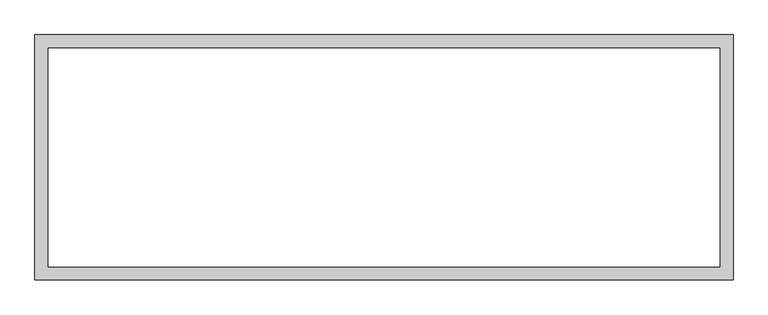
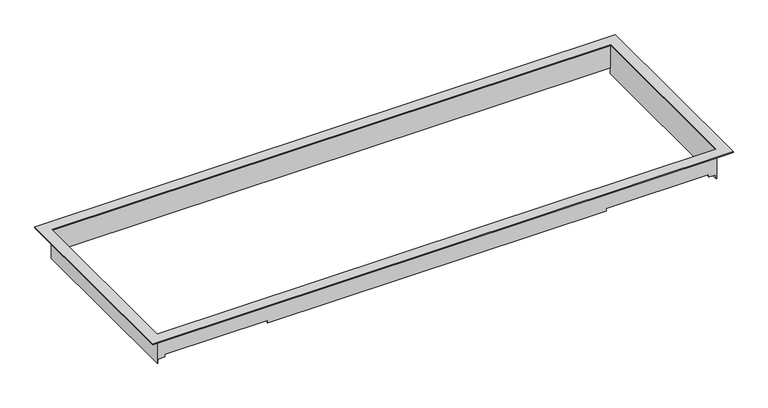
"""IFC4 building model written with IfcOpenShell, lengths in millimetres: proxy geometry."""

import ifcopenshell
import ifcopenshell.guid

model = None  # the IFC model being written
_history = None  # IfcOwnerHistory: only IFC2X3 demands one
_inside = {}  # id of a spatial element -> (the spatial element, [elements in it])
_under = {}  # id of a project, library or spatial element -> (it, [spatial elements below it])
_declared = {}  # id of a project -> (the project, [libraries it declares])
_typed = {}  # id of a type object -> (the type object, [elements of that type])
_made_of = {}  # id of a material, layer set ... -> (it, [elements and type objects made of it])


def new_model(schema):
    """Start an empty IFC model of exactly this schema.

    Asked for "IFC4X3", IfcOpenShell would pick the latest addendum, in which some entities
    have other attributes; the version numbers below select the first issue.
    IFC2X3 requires an IfcOwnerHistory on every rooted entity: one is made here for all.
    """
    global model, _history
    if schema == "IFC4X3":
        model = ifcopenshell.file(schema_version=(4, 3, 0, 0))
    else:
        model = ifcopenshell.file(schema=schema)
    _inside.clear()
    _under.clear()
    _declared.clear()
    _typed.clear()
    _made_of.clear()
    _history = None
    if model.schema == "IFC2X3":
        org = make("IfcOrganization", Name="unknown")
        user = make(
            "IfcPersonAndOrganization",
            ThePerson=make("IfcPerson", FamilyName="unknown"),
            TheOrganization=org,
        )
        app = make(
            "IfcApplication",
            ApplicationDeveloper=org,
            Version="unknown",
            ApplicationFullName="unknown",
            ApplicationIdentifier="unknown",
        )
        _history = make(
            "IfcOwnerHistory",
            OwningUser=user,
            OwningApplication=app,
            ChangeAction="ADDED",
            CreationDate=0,
        )
    return model


def make(cls, **values):
    """One entity of the class cls with the attributes given. An attribute that is None is left unset."""
    return model.create_entity(
        cls, **{name: value for name, value in values.items() if value is not None}
    )


def rooted(cls, **values):
    """An entity with a GlobalId (a new one), such as an element, a storey or a relation."""
    return make(cls, GlobalId=ifcopenshell.guid.new(), OwnerHistory=_history, **values)


def si_unit(unit_type, name, prefix=None):
    """IfcSIUnit, for example si_unit("LENGTHUNIT", "METRE", prefix="MILLI")."""
    return make("IfcSIUnit", UnitType=unit_type, Prefix=prefix, Name=name)


def assignment(units):
    """IfcUnitAssignment: the units of a project."""
    return None if units is None else make("IfcUnitAssignment", Units=units)


def point(xyz):
    """IfcCartesianPoint."""
    return None if xyz is None else make("IfcCartesianPoint", Coordinates=xyz)


def direction(xyz):
    """IfcDirection."""
    return None if xyz is None else make("IfcDirection", DirectionRatios=xyz)


def frame(location, z_axis=None, x_axis=None):
    """IfcAxis2Placement3D, a coordinate frame: its origin and axes. An axis left out is left unset."""
    return make(
        "IfcAxis2Placement3D",
        Location=point(location),
        Axis=direction(z_axis),
        RefDirection=direction(x_axis),
    )


def origin():
    """The frame at (0, 0, 0) with its axes left unset."""
    return frame((0.0, 0.0, 0.0))


def origin_with_axes():
    """The frame at (0, 0, 0) with the z axis (0, 0, 1) and the x axis (1, 0, 0) written out."""
    return frame((0.0, 0.0, 0.0), z_axis=(0.0, 0.0, 1.0), x_axis=(1.0, 0.0, 0.0))


def place(relative_to, where):
    """IfcLocalPlacement: puts the frame where relative to a parent placement (None: the world)."""
    return make(
        "IfcLocalPlacement", PlacementRelTo=relative_to, RelativePlacement=where
    )


def context(
    kind, dimensions, precision=None, world=None, true_north=None, identifier=None
):
    """IfcGeometricRepresentationContext, for example the 3D "Model" context."""
    return make(
        "IfcGeometricRepresentationContext",
        ContextIdentifier=identifier,
        ContextType=kind,
        CoordinateSpaceDimension=dimensions,
        Precision=precision,
        WorldCoordinateSystem=world,
        TrueNorth=true_north,
    )


def project(units=None, contexts=None):
    """IfcProject with its units and contexts."""
    return rooted(
        "IfcProject",
        Name="project",
        RepresentationContexts=contexts,
        UnitsInContext=assignment(units),
    )


def spatial(cls, under=None, at=None, **own):
    """A site, building, storey or space (cls), placed at a placement, below another one or the project."""
    s = rooted(cls, ObjectPlacement=at, **own)
    if under is not None:
        _under.setdefault(under.id(), (under, []))[1].append(s)
    return s


def polyline(points):
    """IfcPolyline through the points."""
    return make("IfcPolyline", Points=[point(p) for p in points])


def outline(outer, holes=None, kind="AREA"):
    """IfcArbitraryClosedProfileDef: a profile drawn as a closed curve; with holes, ...WithVoids."""
    if holes is None:
        return make("IfcArbitraryClosedProfileDef", ProfileType=kind, OuterCurve=outer)
    return make(
        "IfcArbitraryProfileDefWithVoids",
        ProfileType=kind,
        OuterCurve=outer,
        InnerCurves=holes,
    )


def extrude(swept, where, along, depth):
    """IfcExtrudedAreaSolid: the profile swept, set in the frame where, extruded along a direction by depth."""
    return make(
        "IfcExtrudedAreaSolid",
        SweptArea=swept,
        Position=where,
        ExtrudedDirection=direction(along),
        Depth=depth,
    )


def faces_of(points, faces, orient=None, outer=None):
    """IfcFace entities. A face is a list of loops; a loop is a list of indices into points, from 0.

    orient and outer hold one flag for each loop. By default every Orientation is true, the
    first loop of a face is its IfcFaceOuterBound and the others are IfcFaceBound.
    """
    made = []
    for i, loops in enumerate(faces):
        bounds = []
        for j, loop in enumerate(loops):
            is_outer = j == 0 if outer is None else outer[i][j]
            bounds.append(
                make(
                    "IfcFaceOuterBound" if is_outer else "IfcFaceBound",
                    Bound=make("IfcPolyLoop", Polygon=[points[k] for k in loop]),
                    Orientation=True if orient is None else orient[i][j],
                )
            )
        made.append(make("IfcFace", Bounds=bounds))
    return made


def faceted_brep(points, faces, orient=None, outer=None, voids=None):
    """IfcFacetedBrep: a solid bounded by flat faces; with voids (closed shells), ...WithVoids."""
    shared = [point(p) for p in points]
    hull = make("IfcClosedShell", CfsFaces=faces_of(shared, faces, orient, outer))
    if voids is None:
        return make("IfcFacetedBrep", Outer=hull)
    return make(
        "IfcFacetedBrepWithVoids",
        Outer=hull,
        Voids=[
            make(cls, CfsFaces=faces_of(shared, fs, o, b)) for cls, fs, o, b in voids
        ],
    )


def shape(context_of_items, identifier, shape_type, items):
    """IfcShapeRepresentation: the items that make up one representation, for example the "Body"."""
    return make(
        "IfcShapeRepresentation",
        ContextOfItems=context_of_items,
        RepresentationIdentifier=identifier,
        RepresentationType=shape_type,
        Items=items,
    )


def source(mapping_origin, context_of_items, identifier, shape_type, items):
    """IfcRepresentationMap: a shape defined once, which mapped items show again and again."""
    return make(
        "IfcRepresentationMap",
        MappingOrigin=mapping_origin,
        MappedRepresentation=shape(context_of_items, identifier, shape_type, items),
    )


def transform(
    local_origin,
    x_axis=None,
    y_axis=None,
    z_axis=None,
    scale=None,
    scale2=None,
    scale3=None,
    uniform=True,
):
    """IfcCartesianTransformationOperator3D, or its non-uniform kind. x_axis, y_axis, z_axis: its Axis1, 2, 3."""
    if uniform:
        return make(
            "IfcCartesianTransformationOperator3D",
            Axis1=direction(x_axis),
            Axis2=direction(y_axis),
            LocalOrigin=point(local_origin),
            Scale=scale,
            Axis3=direction(z_axis),
        )
    return make(
        "IfcCartesianTransformationOperator3DnonUniform",
        Axis1=direction(x_axis),
        Axis2=direction(y_axis),
        LocalOrigin=point(local_origin),
        Scale=scale,
        Axis3=direction(z_axis),
        Scale2=scale2,
        Scale3=scale3,
    )


def mapped(mapping_source, mapping_target):
    """IfcMappedItem: shows the shape of a source again, moved by a transform."""
    return make(
        "IfcMappedItem", MappingSource=mapping_source, MappingTarget=mapping_target
    )


def made_of(thing, what):
    """Note that an element or type object is made of a material, layer set ...; save() writes the relation."""
    if what is not None:
        _made_of.setdefault(what.id(), (what, []))[1].append(thing)
    return thing


def element(
    cls,
    number,
    at=None,
    inside=None,
    cuts=None,
    type_object=None,
    material=None,
    context=None,
    identifier="Body",
    shape_type=None,
    held_by="IfcProductDefinitionShape",
    body=None,
    shapes=None,
    **own,
):
    """One element of the class cls, such as IfcWall. Its Tag is "e" and its number.

    at: its placement. inside: the storey or other place that contains it. cuts: it is an
    opening in that element (IfcRelVoidsElement). A single representation is given by context,
    identifier, shape_type and body (its items); several are given by shapes. held_by: the class
    of the entity that holds the representations. save() writes the other relations.
    """
    e = rooted(cls, Tag="e%d" % number, ObjectPlacement=at, **own)
    if body is not None:
        shapes = [shape(context, identifier, shape_type, body)]
    if shapes is not None:
        e.Representation = make(held_by, Representations=shapes)
    if inside is not None:
        _inside.setdefault(inside.id(), (inside, []))[1].append(e)
    if cuts is not None:
        rooted(
            "IfcRelVoidsElement", RelatingBuildingElement=cuts, RelatedOpeningElement=e
        )
    if type_object is not None:
        _typed.setdefault(type_object.id(), (type_object, []))[1].append(e)
    return made_of(e, material)


def aggregate(whole, parts):
    """IfcRelAggregates: a whole, such as a stair, and the parts it consists of."""
    return rooted("IfcRelAggregates", RelatingObject=whole, RelatedObjects=parts)


def save(model, path):
    """Write the relations noted so far, then the file.

    IfcRelAggregates (storeys below a building ...), IfcRelContainedInSpatialStructure (elements
    in a storey), IfcRelDefinesByType, IfcRelAssociatesMaterial and IfcRelDeclares: one each for
    every whole, place, type object, material and project.
    """
    for whole, parts in _under.values():
        aggregate(whole, parts)
    for where, things in _inside.values():
        rooted(
            "IfcRelContainedInSpatialStructure",
            RelatedElements=things,
            RelatingStructure=where,
        )
    for kind, things in _typed.values():
        rooted("IfcRelDefinesByType", RelatedObjects=things, RelatingType=kind)
    for what, things in _made_of.values():
        rooted("IfcRelAssociatesMaterial", RelatedObjects=things, RelatingMaterial=what)
    for by, libraries in _declared.values():
        rooted("IfcRelDeclares", RelatingContext=by, RelatedDefinitions=libraries)
    model.write(path)


def generic_models_27b262bf(model_context):
    return source(origin(), model_context, "Body", "SolidModel", [
        faceted_brep([(639.0132, 209.0928, -68.3030291), (639.0132, -209.29346, -68.3030291), (637.4638, -209.29346, -68.3030291), (637.4638, 209.0928, -68.3030291), (-639.0132, -209.29346, -68.3030291), (-639.0132, 209.0928, -68.3030291), (-637.4638, 209.0928, -68.3030291), (-637.4638, -209.29346, -68.3030291), (-639.0132, 209.0928, 0.0), (-639.0132, -209.29346, 0.0), (639.0132, -209.29346, 0.0), (639.0132, 209.0928, 0.0), (-637.4638, 207.6958, 0.0), (637.4638, 207.6958, 0.0), (637.4638, -207.6958, 0.0), (-637.4638, -207.6958, 0.0), (-637.4638, 207.6958, -52.58181), (-621.2997484, 207.6958, -52.58181), (-386.3497484, 207.6958, -52.58181), (386.3497484, 207.6958, -52.58181), (621.2997484, 207.6958, -52.58181), (637.4638, 207.6958, -52.58181), (637.4638, 209.0928, -52.58181), (637.4638, -209.29346, -58.9329691), (637.4638, -207.6958, -58.9329691), (621.2997484, -207.6958, -58.9329691), (621.2997484, -207.6958, -52.58181), (386.3497484, -207.6958, -52.58181), (386.3497484, -207.6958, -58.9329691), (-386.3497484, -207.6958, -58.9329691), (-386.3497484, -207.6958, -52.58181), (-621.2997484, -207.6958, -52.58181), (-621.2997484, -207.6958, -58.9329691), (-637.4638, -207.6958, -58.9329691), (-637.4638, -209.29346, -58.9329691), (-637.4638, 209.0928, -52.58181), (-621.2997484, -209.29346, -58.9329691), (-621.2997484, -209.29346, -52.58181), (-386.3497484, -209.29346, -52.58181), (-386.3497484, -209.29346, -58.9329691), (386.3497484, -209.29346, -58.9329691), (386.3497484, -209.29346, -52.58181), (621.2997484, -209.29346, -52.58181), (621.2997484, -209.29346, -58.9329691), (621.2997484, 209.0928, -52.58181), (386.3497484, 209.0928, -52.58181), (-386.3497484, 209.0928, -52.58181), (-621.2997484, 209.0928, -52.58181)], [[[0, 1, 2, 3]], [[4, 5, 6, 7]], [[8, 9, 10, 11], [12, 13, 14, 15]], [[13, 12, 16, 17, 18, 19, 20, 21]], [[14, 13, 21, 22, 3, 2, 23, 24]], [[15, 14, 24, 25, 26, 27, 28, 29, 30, 31, 32, 33]], [[12, 15, 33, 34, 7, 6, 35, 16]], [[5, 4, 9, 8]], [[10, 9, 4, 7, 34, 36, 37, 38, 39, 40, 41, 42, 43, 23, 2, 1]], [[1, 0, 11, 10]], [[8, 11, 0, 3, 22, 44, 45, 46, 47, 35, 6, 5]], [[22, 21, 20, 19, 18, 17, 16, 35, 47, 46, 45, 44]], [[30, 38, 37, 31]], [[31, 37, 36, 32]], [[34, 33, 32, 36]], [[24, 23, 43, 25]], [[25, 43, 42, 26]], [[26, 42, 41, 27]], [[27, 41, 40, 28]], [[28, 40, 39, 29]], [[38, 30, 29, 39]]]),
        extrude(outline(polyline([(-662.8638, 233.09326), (662.8638, 233.09326), (662.8638, -233.14406), (-662.8638, -233.14406), (-662.8638, 233.09326)]), holes=[polyline([(-637.4638, 207.6958), (-637.4638, -207.6958), (637.4638, -207.6958), (637.4638, 207.6958), (-637.4638, 207.6958)])]), origin_with_axes(), (0.0, 0.0, 1.0), 2.286),
    ])


if __name__ == "__main__":
    model = new_model("IFC4")
    model_context = context("Model", 3, world=origin())
    ifc_project = project(units=[si_unit("LENGTHUNIT", "METRE", prefix="MILLI")], contexts=[model_context])
    site = spatial("IfcSite", under=ifc_project)
    building = spatial("IfcBuilding", under=site)
    placement = place(None, origin())
    generic_models_shape = generic_models_27b262bf(model_context)
    element("IfcBuildingElementProxy", 1, Name="Generic Models", at=placement, inside=building, context=model_context, shape_type="MappedRepresentation", body=[
        mapped(generic_models_shape, transform((0.0, 0.0, 0.0), x_axis=(1.0, 0.0, 0.0), y_axis=(0.0, 1.0, 0.0), z_axis=(0.0, 0.0, 1.0))),
    ])
    save(model, "model.ifc")
